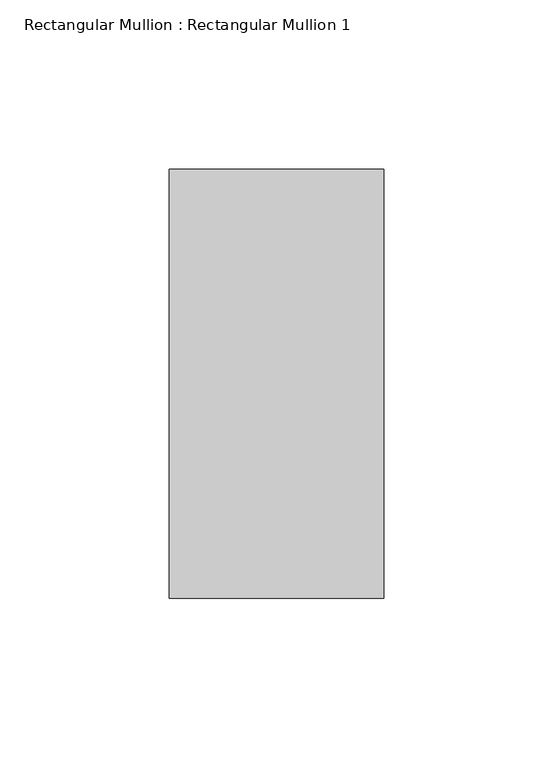
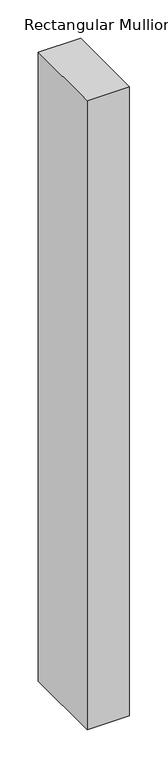
"""IFC4 building model written with IfcOpenShell, lengths in millimetres: member geometry, Rectangular Mullion : Rectangular Mullion 1."""

from ifc_helpers import new_model, si_unit, frame, origin, place, context, project, spatial, polyline, outline, extrude, source, transform, mapped, element, save


def rectangular_mullion_rectangular_mullion_1_0daabb75(model_context):
    return source(origin(), model_context, "Body", "SweptSolid", [
        extrude(outline(polyline([(31.75, 63.5), (31.75, -63.5), (-31.75, -63.5), (-31.75, 63.5), (31.75, 63.5)])), frame((0.0, 0.0, -1000.0), z_axis=(0.0, 0.0, 1.0), x_axis=(1.0, 0.0, 0.0)), (0.0, 0.0, 1.0), 1000.0),
    ])


if __name__ == "__main__":
    model = new_model("IFC4")
    model_context = context("Model", 3, world=origin())
    ifc_project = project(units=[si_unit("LENGTHUNIT", "METRE", prefix="MILLI")], contexts=[model_context])
    site = spatial("IfcSite", under=ifc_project)
    building = spatial("IfcBuilding", under=site)
    placement = place(None, origin())
    rectangular_mullion_rectangular_mullion_1_shape = rectangular_mullion_rectangular_mullion_1_0daabb75(model_context)
    element("IfcMember", 1, ObjectType="Rectangular Mullion : Rectangular Mullion 1", at=placement, inside=building, context=model_context, shape_type="MappedRepresentation", body=[
        mapped(rectangular_mullion_rectangular_mullion_1_shape, transform((0.0, 0.0, 0.0), x_axis=(1.0, 0.0, 0.0), y_axis=(0.0, 1.0, 0.0), z_axis=(0.0, 0.0, 1.0))),
    ])
    save(model, "model.ifc")
